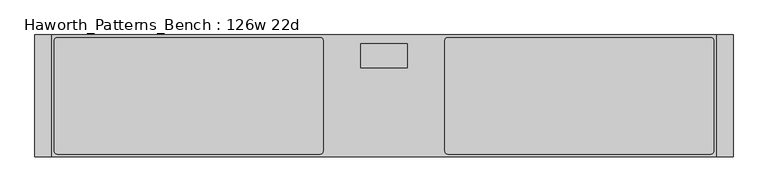
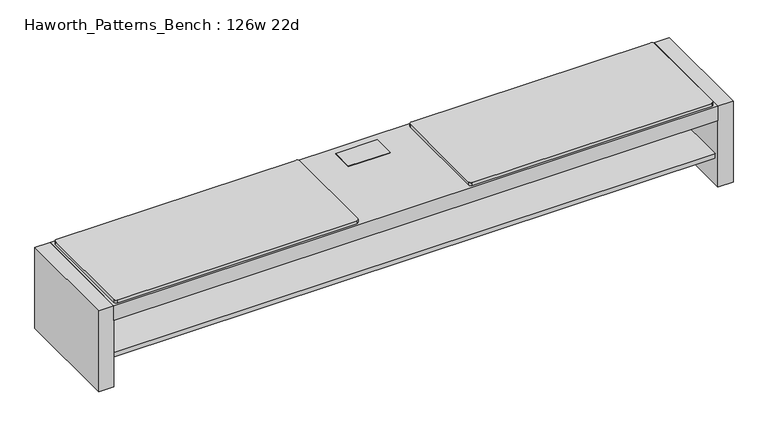
"""IFC4 building model written with IfcOpenShell, lengths in millimetres: furniture geometry, Haworth_Patterns_Bench : 126w 22d."""

from ifc_helpers import new_model, si_unit, point, frame, frame_2d, origin, origin_with_axes, place, context, project, spatial, polyline, circle_curve, trimmed, segment, composite_curve, outline, extrude, faceted_brep, source, transform, mapped, element, save


def haworth_patterns_bench_126w_22d_733d0021(model_context):
    return source(origin(), model_context, "Body", "SolidModel", [
        extrude(outline(composite_curve([segment(trimmed(circle_curve(frame_2d((-292.1, -25.4)), 12.7), [point((-292.1, -12.7))], [point((-279.4, -25.4))], False, "CARTESIAN"), True, "CONTINUOUS"), segment(polyline([(-279.4, -25.4), (-279.4, -533.4)]), True, "CONTINUOUS"), segment(trimmed(circle_curve(frame_2d((-292.1, -533.4)), 12.7), [point((-279.4, -533.4))], [point((-292.1, -546.1))], False, "CARTESIAN"), True, "CONTINUOUS"), segment(polyline([(-292.1, -546.1), (-1498.6, -546.1)]), True, "CONTINUOUS"), segment(trimmed(circle_curve(frame_2d((-1498.6, -533.4)), 12.7), [point((-1498.6, -546.1))], [point((-1511.3, -533.4))], False, "CARTESIAN"), True, "CONTINUOUS"), segment(polyline([(-1511.3, -533.4), (-1511.3, -25.4)]), True, "CONTINUOUS"), segment(trimmed(circle_curve(frame_2d((-1498.6, -25.4)), 12.7), [point((-1511.3, -25.4))], [point((-1498.6, -12.7))], False, "CARTESIAN"), True, "CONTINUOUS"), segment(polyline([(-1498.6, -12.7), (-292.1, -12.7)]), True, "CONTINUOUS")], self_intersect=False)), frame((0.0, 0.0, 431.8), z_axis=(0.0, 0.0, 1.0), x_axis=(1.0, 0.0, 0.0)), (0.0, 0.0, 1.0), 15.875),
        extrude(outline(composite_curve([segment(trimmed(circle_curve(frame_2d((1498.6, -25.4)), 12.7), [point((1498.6, -12.7))], [point((1511.3, -25.4))], False, "CARTESIAN"), True, "CONTINUOUS"), segment(polyline([(1511.3, -25.4), (1511.3, -533.4)]), True, "CONTINUOUS"), segment(trimmed(circle_curve(frame_2d((1498.6, -533.4)), 12.7), [point((1511.3, -533.4))], [point((1498.6, -546.1))], False, "CARTESIAN"), True, "CONTINUOUS"), segment(polyline([(1498.6, -546.1), (292.1, -546.1)]), True, "CONTINUOUS"), segment(trimmed(circle_curve(frame_2d((292.1, -533.4)), 12.7), [point((292.1, -546.1))], [point((279.4, -533.4))], False, "CARTESIAN"), True, "CONTINUOUS"), segment(polyline([(279.4, -533.4), (279.4, -25.4)]), True, "CONTINUOUS"), segment(trimmed(circle_curve(frame_2d((292.1, -25.4)), 12.7), [point((279.4, -25.4))], [point((292.1, -12.7))], False, "CARTESIAN"), True, "CONTINUOUS"), segment(polyline([(292.1, -12.7), (1498.6, -12.7)]), True, "CONTINUOUS")], self_intersect=False)), frame((0.0, 0.0, 431.8), z_axis=(0.0, 0.0, 1.0), x_axis=(1.0, 0.0, 0.0)), (0.0, 0.0, 1.0), 15.875),
        faceted_brep([(105.56875, -39.6875, 434.975), (-105.56875, -39.6875, 434.975), (-105.56875, -150.8125, 434.975), (105.56875, -150.8125, 434.975), (105.56875, -39.6875, 431.8), (105.56875, -150.8125, 431.8), (-105.56875, -150.8125, 431.8), (-105.56875, -39.6875, 431.8), (102.39375, -44.45, 431.8), (-102.39375, -44.45, 431.8), (-102.39375, -146.05, 431.8), (102.39375, -146.05, 431.8), (102.39375, -44.45, 361.95), (102.39375, -146.05, 361.95), (-102.39375, -146.05, 361.95), (-102.39375, -44.45, 361.95)], [[[0, 1, 2, 3]], [[4, 5, 6, 7], [8, 9, 10, 11]], [[1, 0, 4, 7]], [[2, 1, 7, 6]], [[3, 2, 6, 5]], [[0, 3, 5, 4]], [[12, 13, 14, 15]], [[12, 15, 9, 8]], [[15, 14, 10, 9]], [[14, 13, 11, 10]], [[13, 12, 8, 11]]]),
        extrude(outline(polyline([(1524.0, 0.0), (1524.0, -558.8), (-1524.0, -558.8), (-1524.0, 0.0), (1524.0, 0.0)])), frame((0.0, 0.0, 355.6), z_axis=(0.0, 0.0, 1.0), x_axis=(1.0, 0.0, 0.0)), (0.0, 0.0, 1.0), 76.2),
        extrude(outline(polyline([(1524.0, -25.4), (1524.0, -533.4), (-1524.0, -533.4), (-1524.0, -25.4), (1524.0, -25.4)])), frame((0.0, 0.0, 139.7), z_axis=(0.0, 0.0, 1.0), x_axis=(1.0, 0.0, 0.0)), (0.0, 0.0, 1.0), 25.4),
        extrude(outline(polyline([(1524.0, -254.0), (1524.0, -304.8), (-1524.0, -304.8), (-1524.0, -254.0), (1524.0, -254.0)])), frame((0.0, 0.0, 165.1), z_axis=(0.0, 0.0, 1.0), x_axis=(1.0, 0.0, 0.0)), (0.0, 0.0, 1.0), 190.5),
        extrude(outline(polyline([(1524.0, 0.0), (1600.2, 0.0), (1600.2, -558.8), (1524.0, -558.8), (1524.0, 0.0)])), origin_with_axes(), (0.0, 0.0, 1.0), 431.8),
        extrude(outline(polyline([(-1524.0, 0.0), (-1524.0, -558.8), (-1600.2, -558.8), (-1600.2, 0.0), (-1524.0, 0.0)])), origin_with_axes(), (0.0, 0.0, 1.0), 431.8),
    ])


if __name__ == "__main__":
    model = new_model("IFC4")
    model_context = context("Model", 3, world=origin())
    ifc_project = project(units=[si_unit("LENGTHUNIT", "METRE", prefix="MILLI")], contexts=[model_context])
    site = spatial("IfcSite", under=ifc_project)
    building = spatial("IfcBuilding", under=site)
    placement = place(None, origin())
    haworth_patterns_bench_126w_22d_shape = haworth_patterns_bench_126w_22d_733d0021(model_context)
    element("IfcFurniture", 1, ObjectType="Haworth_Patterns_Bench : 126w 22d", at=placement, inside=building, context=model_context, shape_type="MappedRepresentation", body=[
        mapped(haworth_patterns_bench_126w_22d_shape, transform((0.0, 0.0, 0.0), x_axis=(1.0, 0.0, 0.0), y_axis=(0.0, 1.0, 0.0), z_axis=(0.0, 0.0, 1.0))),
    ])
    save(model, "model.ifc")
